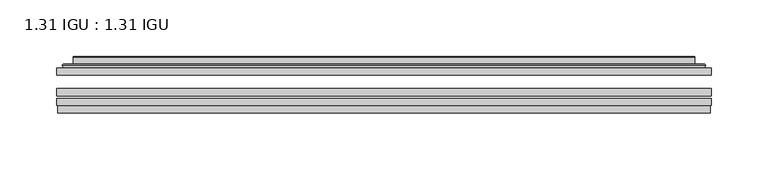
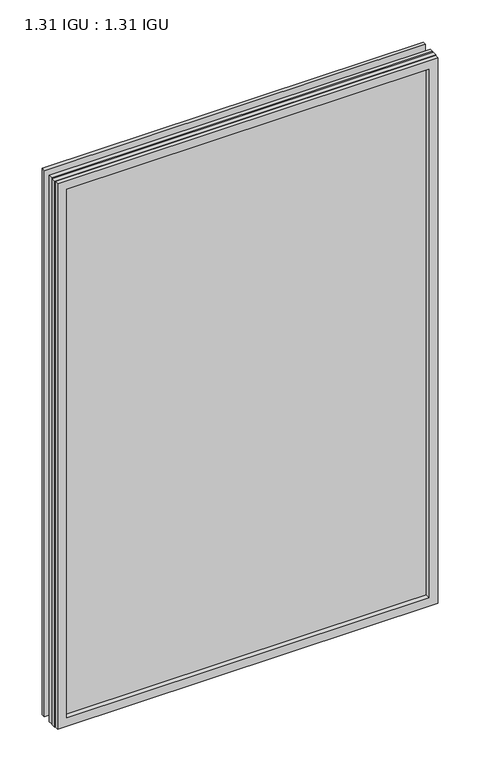
"""IFC4 building model written with IfcOpenShell, lengths in millimetres: plate geometry, 1.31 IGU : 1.31 IGU."""

from ifc_helpers import new_model, si_unit, frame, origin, place, context, project, spatial, polyline, ellipse_curve, outline, extrude, faceted_brep, source, transform, mapped, element, save
from ifc_brep_helpers import plane_surface, cylinder_surface, advanced_brep


def plate_1_31_igu_1_31_igu_aeed2edb(model_context):
    return source(origin(), model_context, "Body", "SolidModel", [
        extrude(outline(polyline([(287.351675, -63.59525), (287.351675, -69.94525), (-287.3375, -69.94525), (-287.3375, -63.59525), (287.351675, -63.59525)])), frame((0.0, 0.0, -14.2875), z_axis=(0.0, 0.0, 1.0), x_axis=(1.0, 0.0, 0.0)), (0.0, 0.0, 1.0), 869.9537979),
        extrude(outline(polyline([(-287.3375, -78.58125), (-287.3375, -72.230745), (287.351675, -72.230745), (287.351675, -78.58125), (-287.3375, -78.58125)])), frame((0.0, 0.0, -14.2875), z_axis=(0.0, 0.0, 1.0), x_axis=(1.0, 0.0, 0.0)), (0.0, 0.0, 1.0), 869.9537979),
        extrude(outline(polyline([(287.351675, -45.25645), (287.351675, -51.60645), (-287.3375, -51.60645), (-287.3375, -45.25645), (287.351675, -45.25645)])), frame((0.0, 0.0, -14.2875), z_axis=(0.0, 0.0, 1.0), x_axis=(1.0, 0.0, 0.0)), (0.0, 0.0, 1.0), 869.9537979),
        faceted_brep([(-286.6373142, -84.93125, 854.9623142), (-286.6373142, -78.58125, 854.9623142), (-286.6373142, -78.58125, -13.5873142), (-286.6373142, -84.93125, -13.5873142), (286.6373142, -78.58125, -13.5873142), (286.6373142, -84.93125, -13.5873142), (286.6373142, -78.58125, 854.9623142), (286.6373142, -84.93125, 854.9623142), (-272.1522559, -78.58125, 0.8977441), (272.1522559, -78.58125, 0.8977441), (272.1522559, -78.58125, 840.4772559), (-272.1522559, -78.58125, 840.4772559), (-273.0446902, -84.93125, 841.3696902), (273.0446902, -84.93125, 841.3696902), (273.0446902, -84.93125, 0.0053098), (-273.0446902, -84.93125, 0.0053098)], [[[0, 1, 2, 3]], [[3, 2, 4, 5]], [[5, 4, 6, 7]], [[1, 6, 4, 2], [8, 9, 10, 11]], [[7, 6, 1, 0]], [[3, 5, 7, 0], [12, 13, 14, 15]], [[11, 12, 15, 8]], [[8, 15, 14, 9]], [[9, 14, 13, 10]], [[10, 13, 12, 11]]]),
        advanced_brep(
        [(-280.096219, -45.25645, 848.421219), (-282.4504244, -43.2667833, 850.7754244), (-282.4504244, -43.2667833, -9.4004244), (-280.096219, -45.25645, -7.046219), (-271.0218939, -41.416413, 839.3468939), (-266.0870621, -45.25645, 834.4120621), (-266.0870621, -45.25645, 6.9629379), (-271.0218939, -41.416413, 2.0281061), (-272.0539217, -36.0191819, 840.3789217), (-272.0539217, -36.0191819, 0.9960783), (-273.0445784, -35.6202069, 841.3695784), (-273.0445784, -35.6202069, 0.0054216), (-273.0445784, -42.08145, 841.3695784), (-273.0445784, -42.08145, 0.0054216), (-281.4486349, -42.08145, 849.7736349), (-281.4486349, -42.08145, -8.3986349), (282.4504244, -43.2667833, -9.4004244), (280.096219, -45.25645, -7.046219), (266.0870621, -45.25645, 6.9629379), (271.0218939, -41.416413, 2.0281061), (272.0539217, -36.0191819, 0.9960783), (273.0445784, -35.6202069, 0.0054216), (273.0445784, -42.08145, 0.0054216), (281.4486349, -42.08145, -8.3986349), (282.4504244, -43.2667833, 850.7754244), (280.096219, -45.25645, 848.421219), (266.0870621, -45.25645, 834.4120621), (271.0218939, -41.416413, 839.3468939), (272.0539217, -36.0191819, 840.3789217), (273.0445784, -35.6202069, 841.3695784), (273.0445784, -42.08145, 841.3695784), (281.4486349, -42.08145, 849.7736349)],
        [
            (0, 1, ellipse_curve(frame((-280.096219, -42.86885, 848.421219), z_axis=(-0.7071067811865475, 0.0, -0.7071067811865475), x_axis=(-0.7071067811865474, 0.0, 0.7071067811865476)), 3.3765763, 2.3876)),
            (1, 2),
            (2, 3, ellipse_curve(frame((-280.096219, -42.86885, -7.046219), z_axis=(-0.7071067811865475, 0.0, 0.7071067811865475), x_axis=(0.7071067811865474, 0.0, 0.7071067811865476)), 3.3765763, 2.3876)),
            (3, 0),
            (4, 5),
            (5, 6),
            (6, 7),
            (7, 4),
            (8, 4),
            (7, 9),
            (9, 8),
            (10, 8, ellipse_curve(frame((-272.6776219, -36.1384423, 841.0026219), z_axis=(-0.7071067811865475, 0.0, -0.7071067811865475), x_axis=(-0.7071067811865474, 0.0, 0.7071067811865476)), 0.8980256, 0.635)),
            (9, 11, ellipse_curve(frame((-272.6776219, -36.1384423, 0.3723781), z_axis=(-0.7071067811865475, 0.0, 0.7071067811865475), x_axis=(0.7071067811865474, 0.0, 0.7071067811865476)), 0.8980256, 0.635)),
            (11, 10),
            (12, 10),
            (11, 13),
            (13, 12),
            (1, 14, ellipse_curve(frame((-281.4486349, -43.09745, 849.7736349), z_axis=(-0.7071067811865475, 0.0, -0.7071067811865475), x_axis=(-0.7071067811865474, 0.0, 0.7071067811865476)), 1.436841, 1.016)),
            (14, 15),
            (15, 2, ellipse_curve(frame((-281.4486349, -43.09745, -8.3986349), z_axis=(-0.7071067811865475, 0.0, 0.7071067811865475), x_axis=(0.7071067811865474, 0.0, 0.7071067811865476)), 1.436841, 1.016)),
            (2, 16),
            (16, 17, ellipse_curve(frame((280.096219, -42.86885, -7.046219), z_axis=(-0.7071067811865475, 0.0, -0.7071067811865475), x_axis=(-0.7071067811865476, 0.0, 0.7071067811865474)), 3.3765763, 2.3876)),
            (17, 3),
            (6, 18),
            (18, 19),
            (19, 7),
            (19, 20),
            (20, 9),
            (20, 21, ellipse_curve(frame((272.6776219, -36.1384423, 0.3723781), z_axis=(-0.7071067811865475, 0.0, -0.7071067811865475), x_axis=(-0.7071067811865476, 0.0, 0.7071067811865474)), 0.8980256, 0.635)),
            (21, 11),
            (21, 22),
            (22, 13),
            (15, 23),
            (23, 16, ellipse_curve(frame((281.4486349, -43.09745, -8.3986349), z_axis=(-0.7071067811865475, 0.0, -0.7071067811865475), x_axis=(-0.7071067811865476, 0.0, 0.7071067811865474)), 1.436841, 1.016)),
            (16, 24),
            (24, 25, ellipse_curve(frame((280.096219, -42.86885, 848.421219), z_axis=(0.7071067811865475, 0.0, -0.7071067811865475), x_axis=(-0.7071067811865474, 0.0, -0.7071067811865476)), 3.3765763, 2.3876)),
            (25, 17),
            (18, 26),
            (26, 27),
            (27, 19),
            (27, 28),
            (28, 20),
            (28, 29, ellipse_curve(frame((272.6776219, -36.1384423, 841.0026219), z_axis=(0.7071067811865475, 0.0, -0.7071067811865475), x_axis=(-0.7071067811865474, 0.0, -0.7071067811865476)), 0.8980256, 0.635)),
            (29, 21),
            (29, 30),
            (30, 22),
            (23, 31),
            (31, 24, ellipse_curve(frame((281.4486349, -43.09745, 849.7736349), z_axis=(0.7071067811865475, 0.0, -0.7071067811865475), x_axis=(-0.7071067811865474, 0.0, -0.7071067811865476)), 1.436841, 1.016)),
            (24, 1),
            (0, 25),
            (5, 26),
            (4, 27),
            (8, 28),
            (10, 29),
            (12, 30),
            (14, 31),
        ],
        [
            cylinder_surface(frame((-280.096219, -42.86885, 873.125), z_axis=(0.0, 0.0, 1.0), x_axis=(-1.0, 0.0, 0.0)), 2.3876),
            plane_surface(frame((-266.0870621, -45.25645, 834.4120621), z_axis=(0.6141233906514794, 0.7892100234124821, 0.0), x_axis=(0.0, 0.0, -1.0))),
            plane_surface(frame((-271.0218939, -41.416413, 839.3468939), z_axis=(0.9822050625507729, 0.18781164793386076, 0.0), x_axis=(0.0, 0.0, -1.0))),
            cylinder_surface(frame((-272.6776219, -36.1384423, 873.125), z_axis=(0.0, 0.0, 1.0), x_axis=(-1.0, 0.0, 0.0)), 0.635),
            plane_surface(frame((-273.0445784, -35.6202069, 841.3695784), z_axis=(-1.0, 0.0, 0.0), x_axis=(0.0, 0.0, -1.0))),
            cylinder_surface(frame((-281.4486349, -43.09745, 873.125), z_axis=(0.0, 0.0, 1.0), x_axis=(-1.0, 0.0, 0.0)), 1.016),
            cylinder_surface(frame((-304.8, -42.86885, -7.046219), z_axis=(-1.0, 0.0, 0.0), x_axis=(0.0, 0.0, -1.0)), 2.3876),
            plane_surface(frame((-266.0870621, -45.25645, 6.9629379), z_axis=(0.0, 0.7892100234124841, 0.6141233906514768), x_axis=(1.0, 0.0, 0.0))),
            plane_surface(frame((-271.0218939, -41.416413, 2.0281061), z_axis=(0.0, 0.18781164793386393, 0.9822050625507723), x_axis=(1.0, 0.0, 0.0))),
            cylinder_surface(frame((-304.8, -36.1384423, 0.3723781), z_axis=(-1.0, 0.0, 0.0), x_axis=(0.0, 0.0, -1.0)), 0.635),
            plane_surface(frame((-273.0445784, -35.6202069, 0.0054216), z_axis=(0.0, 0.0, -1.0), x_axis=(1.0, 0.0, 0.0))),
            cylinder_surface(frame((-304.8, -43.09745, -8.3986349), z_axis=(-1.0, 0.0, 0.0), x_axis=(0.0, 0.0, -1.0)), 1.016),
            cylinder_surface(frame((280.096219, -42.86885, -31.75), z_axis=(0.0, 0.0, -1.0), x_axis=(1.0, 0.0, 0.0)), 2.3876),
            plane_surface(frame((266.0870621, -45.25645, 6.9629379), z_axis=(-0.6141233906514743, 0.7892100234124861, 0.0), x_axis=(0.0, 0.0, 1.0))),
            plane_surface(frame((271.0218939, -41.416413, 2.0281061), z_axis=(-0.9822050625507718, 0.1878116479338671, 0.0), x_axis=(0.0, 0.0, 1.0))),
            cylinder_surface(frame((272.6776219, -36.1384423, -31.75), z_axis=(0.0, 0.0, -1.0), x_axis=(1.0, 0.0, 0.0)), 0.635),
            plane_surface(frame((273.0445784, -35.6202069, 0.0054216), z_axis=(1.0, 0.0, 0.0), x_axis=(0.0, 0.0, 1.0))),
            cylinder_surface(frame((281.4486349, -43.09745, -31.75), z_axis=(0.0, 0.0, -1.0), x_axis=(1.0, 0.0, 0.0)), 1.016),
            cylinder_surface(frame((304.8, -42.86885, 848.421219), z_axis=(1.0, 0.0, 0.0), x_axis=(0.0, 0.0, 1.0)), 2.3876),
            plane_surface(frame((280.096219, -45.25645, 848.421219), z_axis=(0.0, -1.0, 0.0), x_axis=(-1.0, 0.0, 0.0))),
            plane_surface(frame((266.0870621, -45.25645, 834.4120621), z_axis=(0.0, 0.7892100234124841, -0.6141233906514768), x_axis=(-1.0, 0.0, 0.0))),
            plane_surface(frame((271.0218939, -41.416413, 839.3468939), z_axis=(0.0, 0.18781164793386393, -0.9822050625507723), x_axis=(-1.0, 0.0, 0.0))),
            cylinder_surface(frame((304.8, -36.1384423, 841.0026219), z_axis=(1.0, 0.0, 0.0), x_axis=(0.0, 0.0, 1.0)), 0.635),
            plane_surface(frame((273.0445784, -35.6202069, 841.3695784), z_axis=(0.0, 0.0, 1.0), x_axis=(-1.0, 0.0, 0.0))),
            plane_surface(frame((273.0445784, -42.08145, 841.3695784), z_axis=(0.0, 1.0, 0.0), x_axis=(-1.0, 0.0, 0.0))),
            cylinder_surface(frame((304.8, -43.09745, 849.7736349), z_axis=(1.0, 0.0, 0.0), x_axis=(0.0, 0.0, 1.0)), 1.016),
        ],
        [
            (0, [[1, 2, 3, 4]]),
            (1, [[5, 6, 7, 8]]),
            (2, [[9, -8, 10, 11]]),
            (3, [[12, -11, 13, 14]]),
            (4, [[15, -14, 16, 17]]),
            (5, [[18, 19, 20, -2]]),
            (6, [[-3, 21, 22, 23]]),
            (7, [[-7, 24, 25, 26]]),
            (8, [[-10, -26, 27, 28]]),
            (9, [[-13, -28, 29, 30]]),
            (10, [[-16, -30, 31, 32]]),
            (11, [[-20, 33, 34, -21]]),
            (12, [[-22, 35, 36, 37]]),
            (13, [[-25, 38, 39, 40]]),
            (14, [[-27, -40, 41, 42]]),
            (15, [[-29, -42, 43, 44]]),
            (16, [[-31, -44, 45, 46]]),
            (17, [[-34, 47, 48, -35]]),
            (18, [[-36, 49, -1, 50]]),
            (19, [[-23, -37, -50, -4], [51, -38, -24, -6]]),
            (20, [[-39, -51, -5, 52]]),
            (21, [[-41, -52, -9, 53]]),
            (22, [[-43, -53, -12, 54]]),
            (23, [[-45, -54, -15, 55]]),
            (24, [[56, -47, -33, -19], [-32, -46, -55, -17]]),
            (25, [[-48, -56, -18, -49]]),
        ],
    ),
    ])


if __name__ == "__main__":
    model = new_model("IFC4")
    model_context = context("Model", 3, world=origin())
    ifc_project = project(units=[si_unit("LENGTHUNIT", "METRE", prefix="MILLI")], contexts=[model_context])
    site = spatial("IfcSite", under=ifc_project)
    building = spatial("IfcBuilding", under=site)
    placement = place(None, origin())
    plate_1_31_igu_1_31_igu_shape = plate_1_31_igu_1_31_igu_aeed2edb(model_context)
    element("IfcPlate", 1, ObjectType="1.31 IGU : 1.31 IGU", at=placement, inside=building, context=model_context, shape_type="MappedRepresentation", body=[
        mapped(plate_1_31_igu_1_31_igu_shape, transform((0.0, 0.0, 0.0), x_axis=(1.0, 0.0, 0.0), y_axis=(0.0, 1.0, 0.0), z_axis=(0.0, 0.0, 1.0))),
    ])
    save(model, "model.ifc")
